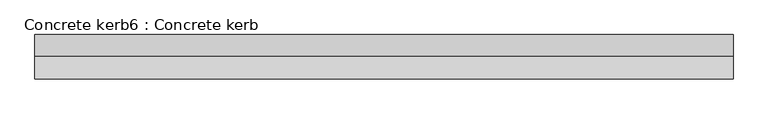
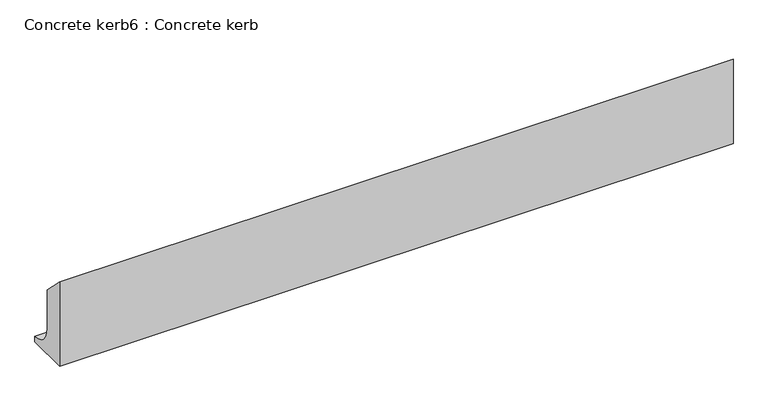
"""IFC4 building model written with IfcOpenShell, lengths in millimetres: proxy geometry, Concrete kerb6 : Concrete kerb."""

from ifc_helpers import new_model, si_unit, point, frame, frame_2d, origin, place, context, project, spatial, polyline, circle_curve, trimmed, segment, composite_curve, outline, extrude, source, transform, mapped, element, save


def concrete_kerb6_concrete_kerb_42034ab0(model_context):
    return source(origin(), model_context, "Body", "SweptSolid", [
        extrude(outline(composite_curve([segment(polyline([(-8817.3538594, 297.0), (-8740.3538594, 220.0), (-8740.3538594, 75.0)]), True, "CONTINUOUS"), segment(trimmed(circle_curve(frame_2d((-8665.3538594, 75.0)), 75.0), [point((-8740.3538594, 75.0))], [point((-8665.3538594, 0.0))], True, "CARTESIAN"), True, "CONTINUOUS"), segment(polyline([(-8665.3538594, 0.0), (-8665.3538594, -20.0482875), (-8817.3538594, -20.0482875), (-8817.3538594, 297.0)]), True, "CONTINUOUS")], self_intersect=False)), frame((6904.6309284, 0.0, 0.0), z_axis=(1.0, 0.0, 0.0), x_axis=(0.0, 1.0, 0.0)), (0.0, 0.0, 1.0), 2400.0),
    ])


if __name__ == "__main__":
    model = new_model("IFC4")
    model_context = context("Model", 3, world=origin())
    ifc_project = project(units=[si_unit("LENGTHUNIT", "METRE", prefix="MILLI")], contexts=[model_context])
    site = spatial("IfcSite", under=ifc_project)
    building = spatial("IfcBuilding", under=site)
    placement = place(None, origin())
    concrete_kerb6_concrete_kerb_shape = concrete_kerb6_concrete_kerb_42034ab0(model_context)
    element("IfcBuildingElementProxy", 1, Name="Concrete kerb6 : Concrete kerb", ObjectType="Concrete kerb6 : Concrete kerb", at=placement, inside=building, context=model_context, shape_type="MappedRepresentation", body=[
        mapped(concrete_kerb6_concrete_kerb_shape, transform((0.0, 0.0, 0.0), x_axis=(1.0, 0.0, 0.0), y_axis=(0.0, 1.0, 0.0), z_axis=(0.0, 0.0, 1.0))),
    ])
    save(model, "model.ifc")
